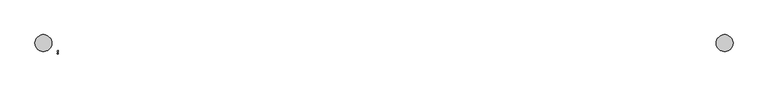
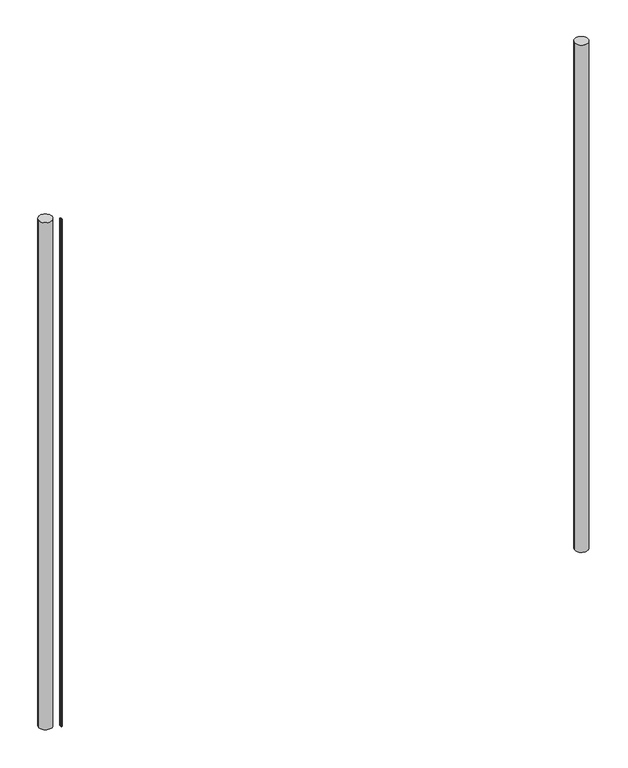
"""IFC4 building model written with IfcOpenShell, lengths in millimetres: railing geometry."""

from ifc_helpers import new_model, si_unit, point, frame, frame_2d, origin, place, context, project, spatial, circle_curve, trimmed, segment, composite_curve, outline, extrude, source, transform, mapped, element, save


def railing_7ebd8602(model_context):
    return source(origin(), model_context, "Body", "SweptSolid", [
        extrude(outline(composite_curve([segment(trimmed(circle_curve(frame_2d((958.4227135, -1794.6212363)), 2.0574), [point((958.4227135, -1796.6786363))], [point((958.4227135, -1792.5638363))], False, "CARTESIAN"), True, "CONTINUOUS"), segment(trimmed(circle_curve(frame_2d((958.4227135, -1794.6212363)), 2.0574), [point((958.4227135, -1792.5638363))], [point((958.4227135, -1796.6786363))], False, "CARTESIAN"), True, "CONTINUOUS")], self_intersect=False)), frame((0.0, 0.0, 7620.0), z_axis=(0.0, 0.0, 1.0), x_axis=(1.0, 0.0, 0.0)), (0.0, 0.0, 1.0), 2438.4),
        extrude(outline(composite_curve([segment(trimmed(circle_curve(frame_2d((958.4227135, -1802.8508363)), 2.0574), [point((958.4227135, -1800.7934363))], [point((958.4227135, -1804.9082363))], False, "CARTESIAN"), True, "CONTINUOUS"), segment(trimmed(circle_curve(frame_2d((958.4227135, -1802.8508363)), 2.0574), [point((958.4227135, -1804.9082363))], [point((958.4227135, -1800.7934363))], False, "CARTESIAN"), True, "CONTINUOUS")], self_intersect=False)), frame((0.0, 0.0, 7620.0), z_axis=(0.0, 0.0, 1.0), x_axis=(1.0, 0.0, 0.0)), (0.0, 0.0, 1.0), 2438.4),
        extrude(outline(composite_curve([segment(trimmed(circle_curve(frame_2d((3344.9418624, -1765.3985363)), 30.1625), [point((3314.7793624, -1765.3985363))], [point((3375.1043624, -1765.3985363))], False, "CARTESIAN"), True, "CONTINUOUS"), segment(trimmed(circle_curve(frame_2d((3344.9418624, -1765.3985363)), 30.1625), [point((3375.1043624, -1765.3985363))], [point((3314.7793624, -1765.3985363))], False, "CARTESIAN"), True, "CONTINUOUS")], self_intersect=False)), frame((0.0, 0.0, 7620.0), z_axis=(0.0, 0.0, 1.0), x_axis=(1.0, 0.0, 0.0)), (0.0, 0.0, 1.0), 2438.4),
        extrude(outline(composite_curve([segment(trimmed(circle_curve(frame_2d((906.5418624, -1765.3985363)), 30.1625), [point((876.3793624, -1765.3985363))], [point((936.7043624, -1765.3985363))], False, "CARTESIAN"), True, "CONTINUOUS"), segment(trimmed(circle_curve(frame_2d((906.5418624, -1765.3985363)), 30.1625), [point((936.7043624, -1765.3985363))], [point((876.3793624, -1765.3985363))], False, "CARTESIAN"), True, "CONTINUOUS")], self_intersect=False)), frame((0.0, 0.0, 7620.0), z_axis=(0.0, 0.0, 1.0), x_axis=(1.0, 0.0, 0.0)), (0.0, 0.0, 1.0), 2438.4),
    ])


if __name__ == "__main__":
    model = new_model("IFC4")
    model_context = context("Model", 3, world=origin())
    ifc_project = project(units=[si_unit("LENGTHUNIT", "METRE", prefix="MILLI")], contexts=[model_context])
    site = spatial("IfcSite", under=ifc_project)
    building = spatial("IfcBuilding", under=site)
    placement = place(None, origin())
    railing_shape = railing_7ebd8602(model_context)
    element("IfcRailing", 1, at=placement, inside=building, context=model_context, shape_type="MappedRepresentation", body=[
        mapped(railing_shape, transform((0.0, 0.0, 0.0), x_axis=(1.0, 0.0, 0.0), y_axis=(0.0, 1.0, 0.0), z_axis=(0.0, 0.0, 1.0))),
    ])
    save(model, "model.ifc")
